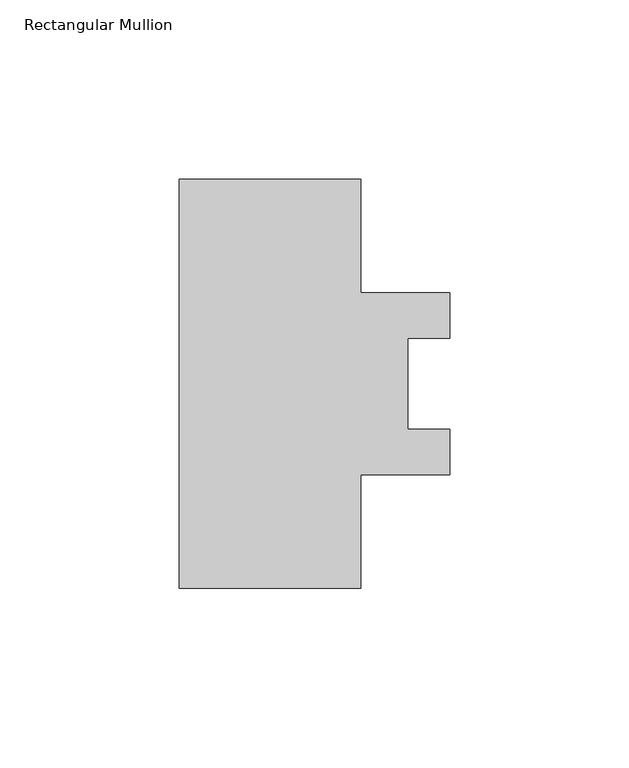
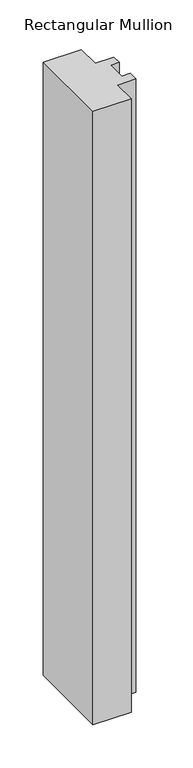
"""IFC4 building model written with IfcOpenShell, lengths in millimetres: member geometry, Rectangular Mullion."""

from ifc_helpers import new_model, si_unit, frame, origin, place, context, project, spatial, polyline, outline, extrude, source, transform, mapped, element, save


def rectangular_mullion_e73781be(model_context):
    return source(origin(), model_context, "Body", "SweptSolid", [
        extrude(outline(polyline([(-25.4, -57.148246), (-25.4, 57.148246), (25.4, 57.148246), (25.4, 25.4355551), (50.1649746, 25.4355551), (50.1649746, 12.7), (38.4809843, 12.7), (38.4809843, -12.7), (50.1649746, -12.7), (50.1649746, -25.3644449), (25.4, -25.3644449), (25.4, -57.148246), (-25.4, -57.148246)])), frame((0.0, 0.0, -863.6), z_axis=(0.0, 0.0, 1.0), x_axis=(1.0, 0.0, 0.0)), (0.0, 0.0, 1.0), 863.6),
    ])


if __name__ == "__main__":
    model = new_model("IFC4")
    model_context = context("Model", 3, world=origin())
    ifc_project = project(units=[si_unit("LENGTHUNIT", "METRE", prefix="MILLI")], contexts=[model_context])
    site = spatial("IfcSite", under=ifc_project)
    building = spatial("IfcBuilding", under=site)
    placement = place(None, origin())
    rectangular_mullion_shape = rectangular_mullion_e73781be(model_context)
    element("IfcMember", 1, ObjectType="Rectangular Mullion", at=placement, inside=building, context=model_context, shape_type="MappedRepresentation", body=[
        mapped(rectangular_mullion_shape, transform((0.0, 0.0, 0.0), x_axis=(1.0, 0.0, 0.0), y_axis=(0.0, 1.0, 0.0), z_axis=(0.0, 0.0, 1.0))),
    ])
    save(model, "model.ifc")
